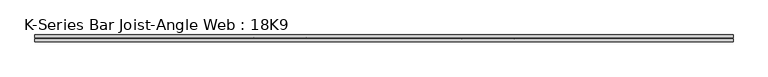
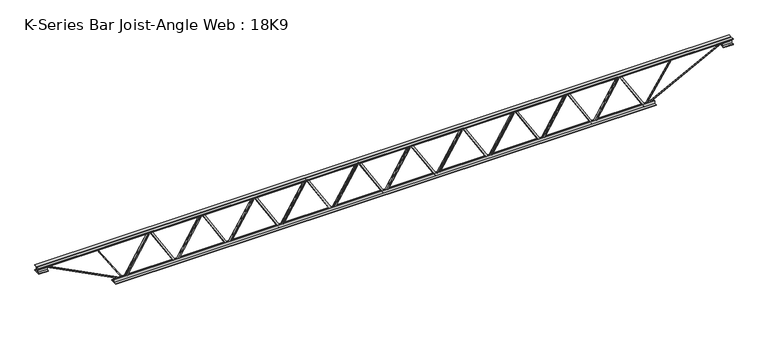
"""IFC4 building model written with IfcOpenShell, lengths in millimetres: beam geometry, K-Series Bar Joist-Angle Web : 18K9."""

from ifc_helpers import new_model, si_unit, frame, origin, place, context, project, spatial, polyline, outline, extrude, faceted_brep, source, transform, mapped, element, save


def k_series_bar_joist_angle_web_18k9_4a4c2d61(model_context):
    return source(origin(), model_context, "Body", "SolidModel", [
        extrude(outline(polyline([(-4.7625, 4.7625), (-4.7625, 0.0), (-17.4625, 0.0), (-17.4625, 4.7625), (-4.7625, 4.7625)])), frame((2175.5309643, 0.0, -190.5), z_axis=(-0.5207134506904616, 0.0, 0.853731516502719), x_axis=(0.0, -1.0, 0.0)), (0.0, 0.0, 1.0), 446.2761332),
        extrude(outline(polyline([(-225.425, 2208.53), (-206.375, 2208.53), (-206.375, 2207.5273537), (225.425, 1944.1611037), (225.425, 1926.11375), (206.375, 1926.11375), (206.375, 1933.4663963), (-225.425, 2196.8326463), (-225.425, 2208.53)])), frame((0.0, 0.0, 0.0), z_axis=(0.0, 1.0, 0.0), x_axis=(0.0, 0.0, 1.0)), (0.0, 0.0, 1.0), 4.7625),
        faceted_brep([(1656.3975, 0.0, -206.375), (1656.3975, 0.0, -225.425), (1656.3975, -4.7625, -225.425), (1656.3975, -4.7625, -206.375), (1657.4001463, 0.0, -206.375), (1920.7663963, 0.0, 225.425), (1938.81375, 0.0, 225.425), (1938.81375, 0.0, 206.375), (1931.4611037, 0.0, 206.375), (1668.0948537, 0.0, -225.425), (1668.0948537, -4.7625, -225.425), (1689.3965357, -4.7625, -190.5), (1685.3306393, -4.7625, -188.0201022), (1917.7126246, -4.7625, 192.9798978), (1921.778521, -4.7625, 190.5), (1931.4611037, -4.7625, 206.375), (1938.81375, -4.7625, 206.375), (1938.81375, -4.7625, 225.425), (1920.7663963, -4.7625, 225.425), (1657.4001463, -4.7625, -206.375), (1921.778521, -17.4625, 190.5), (1689.3965357, -17.4625, -190.5), (1685.3306393, -17.4625, -188.0201022), (1917.7126246, -17.4625, 192.9798978)], [[[0, 1, 2, 3]], [[1, 0, 4, 5, 6, 7, 8, 9]], [[2, 1, 9, 10]], [[3, 2, 10, 11, 12, 13, 14, 15, 16, 17, 18, 19]], [[0, 3, 19, 4]], [[9, 8, 15, 14, 20, 21, 11, 10]], [[5, 4, 19, 18]], [[7, 6, 17, 16]], [[8, 7, 16, 15]], [[6, 5, 18, 17]], [[21, 22, 12, 11]], [[20, 14, 13, 23]], [[22, 21, 20, 23]], [[12, 22, 23, 13]]]),
        extrude(outline(polyline([(-4.7625, 4.7625), (-4.7625, 0.0), (-17.4625, 0.0), (-17.4625, 4.7625), (-4.7625, 4.7625)])), frame((1623.3984643, 0.0, -190.5), z_axis=(-0.5207134506904616, 0.0, 0.853731516502719), x_axis=(0.0, -1.0, 0.0)), (0.0, 0.0, 1.0), 446.2761332),
        extrude(outline(polyline([(-225.425, 1656.3975), (-206.375, 1656.3975), (-206.375, 1655.3948537), (225.425, 1392.0286037), (225.425, 1373.98125), (206.375, 1373.98125), (206.375, 1381.3338963), (-225.425, 1644.7001463), (-225.425, 1656.3975)])), frame((0.0, 0.0, 0.0), z_axis=(0.0, 1.0, 0.0), x_axis=(0.0, 0.0, 1.0)), (0.0, 0.0, 1.0), 4.7625),
        faceted_brep([(1104.265, 0.0, -206.375), (1104.265, 0.0, -225.425), (1104.265, -4.7625, -225.425), (1104.265, -4.7625, -206.375), (1105.2676463, 0.0, -206.375), (1368.6338963, 0.0, 225.425), (1386.68125, 0.0, 225.425), (1386.68125, 0.0, 206.375), (1379.3286037, 0.0, 206.375), (1115.9623537, 0.0, -225.425), (1115.9623537, -4.7625, -225.425), (1137.2640357, -4.7625, -190.5), (1133.1981393, -4.7625, -188.0201022), (1365.5801246, -4.7625, 192.9798978), (1369.646021, -4.7625, 190.5), (1379.3286037, -4.7625, 206.375), (1386.68125, -4.7625, 206.375), (1386.68125, -4.7625, 225.425), (1368.6338963, -4.7625, 225.425), (1105.2676463, -4.7625, -206.375), (1369.646021, -17.4625, 190.5), (1137.2640357, -17.4625, -190.5), (1133.1981393, -17.4625, -188.0201022), (1365.5801246, -17.4625, 192.9798978)], [[[0, 1, 2, 3]], [[1, 0, 4, 5, 6, 7, 8, 9]], [[2, 1, 9, 10]], [[3, 2, 10, 11, 12, 13, 14, 15, 16, 17, 18, 19]], [[0, 3, 19, 4]], [[9, 8, 15, 14, 20, 21, 11, 10]], [[5, 4, 19, 18]], [[7, 6, 17, 16]], [[8, 7, 16, 15]], [[6, 5, 18, 17]], [[21, 22, 12, 11]], [[20, 14, 13, 23]], [[22, 21, 20, 23]], [[12, 22, 23, 13]]]),
        extrude(outline(polyline([(-4.7625, 4.7625), (-4.7625, 0.0), (-17.4625, 0.0), (-17.4625, 4.7625), (-4.7625, 4.7625)])), frame((1071.2659643, 0.0, -190.5), z_axis=(-0.5207134506904616, 0.0, 0.853731516502719), x_axis=(0.0, -1.0, 0.0)), (0.0, 0.0, 1.0), 446.2761332),
        extrude(outline(polyline([(-225.425, 1104.265), (-206.375, 1104.265), (-206.375, 1103.2623537), (225.425, 839.8961037), (225.425, 821.84875), (206.375, 821.84875), (206.375, 829.2013963), (-225.425, 1092.5676463), (-225.425, 1104.265)])), frame((0.0, 0.0, 0.0), z_axis=(0.0, 1.0, 0.0), x_axis=(0.0, 0.0, 1.0)), (0.0, 0.0, 1.0), 4.7625),
        faceted_brep([(552.1325, 0.0, -206.375), (552.1325, 0.0, -225.425), (552.1325, -4.7625, -225.425), (552.1325, -4.7625, -206.375), (553.1351463, 0.0, -206.375), (816.5013963, 0.0, 225.425), (834.54875, 0.0, 225.425), (834.54875, 0.0, 206.375), (827.1961037, 0.0, 206.375), (563.8298537, 0.0, -225.425), (563.8298537, -4.7625, -225.425), (585.1315357, -4.7625, -190.5), (581.0656393, -4.7625, -188.0201022), (813.4476246, -4.7625, 192.9798978), (817.513521, -4.7625, 190.5), (827.1961037, -4.7625, 206.375), (834.54875, -4.7625, 206.375), (834.54875, -4.7625, 225.425), (816.5013963, -4.7625, 225.425), (553.1351463, -4.7625, -206.375), (817.513521, -17.4625, 190.5), (585.1315357, -17.4625, -190.5), (581.0656393, -17.4625, -188.0201022), (813.4476246, -17.4625, 192.9798978)], [[[0, 1, 2, 3]], [[1, 0, 4, 5, 6, 7, 8, 9]], [[2, 1, 9, 10]], [[3, 2, 10, 11, 12, 13, 14, 15, 16, 17, 18, 19]], [[0, 3, 19, 4]], [[9, 8, 15, 14, 20, 21, 11, 10]], [[5, 4, 19, 18]], [[7, 6, 17, 16]], [[8, 7, 16, 15]], [[6, 5, 18, 17]], [[21, 22, 12, 11]], [[20, 14, 13, 23]], [[22, 21, 20, 23]], [[12, 22, 23, 13]]]),
        extrude(outline(polyline([(-4.7625, 4.7625), (-4.7625, 0.0), (-17.4625, 0.0), (-17.4625, 4.7625), (-4.7625, 4.7625)])), frame((519.1334643, 0.0, -190.5), z_axis=(-0.5207134506904616, 0.0, 0.853731516502719), x_axis=(0.0, -1.0, 0.0)), (0.0, 0.0, 1.0), 446.2761332),
        extrude(outline(polyline([(-225.425, 552.1325), (-206.375, 552.1325), (-206.375, 551.1298537), (225.425, 287.7636037), (225.425, 269.71625), (206.375, 269.71625), (206.375, 277.0688963), (-225.425, 540.4351463), (-225.425, 552.1325)])), frame((0.0, 0.0, 0.0), z_axis=(0.0, 1.0, 0.0), x_axis=(0.0, 0.0, 1.0)), (0.0, 0.0, 1.0), 4.7625),
        faceted_brep([(0.0, 0.0, -206.375), (0.0, 0.0, -225.425), (0.0, -4.7625, -225.425), (0.0, -4.7625, -206.375), (1.0026463, 0.0, -206.375), (264.3688963, 0.0, 225.425), (282.41625, 0.0, 225.425), (282.41625, 0.0, 206.375), (275.0636037, 0.0, 206.375), (11.6973537, 0.0, -225.425), (11.6973537, -4.7625, -225.425), (32.9990357, -4.7625, -190.5), (28.9331393, -4.7625, -188.0201022), (261.3151246, -4.7625, 192.9798978), (265.381021, -4.7625, 190.5), (275.0636037, -4.7625, 206.375), (282.41625, -4.7625, 206.375), (282.41625, -4.7625, 225.425), (264.3688963, -4.7625, 225.425), (1.0026463, -4.7625, -206.375), (265.381021, -17.4625, 190.5), (32.9990357, -17.4625, -190.5), (28.9331393, -17.4625, -188.0201022), (261.3151246, -17.4625, 192.9798978)], [[[0, 1, 2, 3]], [[1, 0, 4, 5, 6, 7, 8, 9]], [[2, 1, 9, 10]], [[3, 2, 10, 11, 12, 13, 14, 15, 16, 17, 18, 19]], [[0, 3, 19, 4]], [[9, 8, 15, 14, 20, 21, 11, 10]], [[5, 4, 19, 18]], [[7, 6, 17, 16]], [[8, 7, 16, 15]], [[6, 5, 18, 17]], [[21, 22, 12, 11]], [[20, 14, 13, 23]], [[22, 21, 20, 23]], [[12, 22, 23, 13]]]),
        extrude(outline(polyline([(-4.7625, 4.7625), (-4.7625, 0.0), (-17.4625, 0.0), (-17.4625, 4.7625), (-4.7625, 4.7625)])), frame((-32.9990357, 0.0, -190.5), z_axis=(-0.5207134506904616, 0.0, 0.853731516502719), x_axis=(0.0, -1.0, 0.0)), (0.0, 0.0, 1.0), 446.2761332),
        extrude(outline(polyline([(-225.425, 0.0), (-206.375, 0.0), (-206.375, -1.0026463), (225.425, -264.3688963), (225.425, -282.41625), (206.375, -282.41625), (206.375, -275.0636037), (-225.425, -11.6973537), (-225.425, 0.0)])), frame((0.0, 0.0, 0.0), z_axis=(0.0, 1.0, 0.0), x_axis=(0.0, 0.0, 1.0)), (0.0, 0.0, 1.0), 4.7625),
        faceted_brep([(-552.1325, 0.0, -206.375), (-552.1325, 0.0, -225.425), (-552.1325, -4.7625, -225.425), (-552.1325, -4.7625, -206.375), (-551.1298537, 0.0, -206.375), (-287.7636037, 0.0, 225.425), (-269.71625, 0.0, 225.425), (-269.71625, 0.0, 206.375), (-277.0688963, 0.0, 206.375), (-540.4351463, 0.0, -225.425), (-540.4351463, -4.7625, -225.425), (-519.1334643, -4.7625, -190.5), (-523.1993607, -4.7625, -188.0201022), (-290.8173754, -4.7625, 192.9798978), (-286.751479, -4.7625, 190.5), (-277.0688963, -4.7625, 206.375), (-269.71625, -4.7625, 206.375), (-269.71625, -4.7625, 225.425), (-287.7636037, -4.7625, 225.425), (-551.1298537, -4.7625, -206.375), (-286.751479, -17.4625, 190.5), (-519.1334643, -17.4625, -190.5), (-523.1993607, -17.4625, -188.0201022), (-290.8173754, -17.4625, 192.9798978)], [[[0, 1, 2, 3]], [[1, 0, 4, 5, 6, 7, 8, 9]], [[2, 1, 9, 10]], [[3, 2, 10, 11, 12, 13, 14, 15, 16, 17, 18, 19]], [[0, 3, 19, 4]], [[9, 8, 15, 14, 20, 21, 11, 10]], [[5, 4, 19, 18]], [[7, 6, 17, 16]], [[8, 7, 16, 15]], [[6, 5, 18, 17]], [[21, 22, 12, 11]], [[20, 14, 13, 23]], [[22, 21, 20, 23]], [[12, 22, 23, 13]]]),
        extrude(outline(polyline([(-4.7625, 4.7625), (-4.7625, 0.0), (-17.4625, 0.0), (-17.4625, 4.7625), (-4.7625, 4.7625)])), frame((-585.1315357, 0.0, -190.5), z_axis=(-0.5207134506904616, 0.0, 0.853731516502719), x_axis=(0.0, -1.0, 0.0)), (0.0, 0.0, 1.0), 446.2761332),
        extrude(outline(polyline([(-225.425, -552.1325), (-206.375, -552.1325), (-206.375, -553.1351463), (225.425, -816.5013963), (225.425, -834.54875), (206.375, -834.54875), (206.375, -827.1961037), (-225.425, -563.8298537), (-225.425, -552.1325)])), frame((0.0, 0.0, 0.0), z_axis=(0.0, 1.0, 0.0), x_axis=(0.0, 0.0, 1.0)), (0.0, 0.0, 1.0), 4.7625),
        faceted_brep([(-1104.265, 0.0, -206.375), (-1104.265, 0.0, -225.425), (-1104.265, -4.7625, -225.425), (-1104.265, -4.7625, -206.375), (-1103.2623537, 0.0, -206.375), (-839.8961037, 0.0, 225.425), (-821.84875, 0.0, 225.425), (-821.84875, 0.0, 206.375), (-829.2013963, 0.0, 206.375), (-1092.5676463, 0.0, -225.425), (-1092.5676463, -4.7625, -225.425), (-1071.2659643, -4.7625, -190.5), (-1075.3318607, -4.7625, -188.0201022), (-842.9498754, -4.7625, 192.9798978), (-838.883979, -4.7625, 190.5), (-829.2013963, -4.7625, 206.375), (-821.84875, -4.7625, 206.375), (-821.84875, -4.7625, 225.425), (-839.8961037, -4.7625, 225.425), (-1103.2623537, -4.7625, -206.375), (-838.883979, -17.4625, 190.5), (-1071.2659643, -17.4625, -190.5), (-1075.3318607, -17.4625, -188.0201022), (-842.9498754, -17.4625, 192.9798978)], [[[0, 1, 2, 3]], [[1, 0, 4, 5, 6, 7, 8, 9]], [[2, 1, 9, 10]], [[3, 2, 10, 11, 12, 13, 14, 15, 16, 17, 18, 19]], [[0, 3, 19, 4]], [[9, 8, 15, 14, 20, 21, 11, 10]], [[5, 4, 19, 18]], [[7, 6, 17, 16]], [[8, 7, 16, 15]], [[6, 5, 18, 17]], [[21, 22, 12, 11]], [[20, 14, 13, 23]], [[22, 21, 20, 23]], [[12, 22, 23, 13]]]),
        extrude(outline(polyline([(-4.7625, 4.7625), (-4.7625, 0.0), (-17.4625, 0.0), (-17.4625, 4.7625), (-4.7625, 4.7625)])), frame((-1137.2640357, 0.0, -190.5), z_axis=(-0.5207134506904616, 0.0, 0.853731516502719), x_axis=(0.0, -1.0, 0.0)), (0.0, 0.0, 1.0), 446.2761332),
        extrude(outline(polyline([(-225.425, -1104.265), (-206.375, -1104.265), (-206.375, -1105.2676463), (225.425, -1368.6338963), (225.425, -1386.68125), (206.375, -1386.68125), (206.375, -1379.3286037), (-225.425, -1115.9623537), (-225.425, -1104.265)])), frame((0.0, 0.0, 0.0), z_axis=(0.0, 1.0, 0.0), x_axis=(0.0, 0.0, 1.0)), (0.0, 0.0, 1.0), 4.7625),
        faceted_brep([(-1656.3975, 0.0, -206.375), (-1656.3975, 0.0, -225.425), (-1656.3975, -4.7625, -225.425), (-1656.3975, -4.7625, -206.375), (-1655.3948537, 0.0, -206.375), (-1392.0286037, 0.0, 225.425), (-1373.98125, 0.0, 225.425), (-1373.98125, 0.0, 206.375), (-1381.3338963, 0.0, 206.375), (-1644.7001463, 0.0, -225.425), (-1644.7001463, -4.7625, -225.425), (-1623.3984643, -4.7625, -190.5), (-1627.4643607, -4.7625, -188.0201022), (-1395.0823754, -4.7625, 192.9798978), (-1391.016479, -4.7625, 190.5), (-1381.3338963, -4.7625, 206.375), (-1373.98125, -4.7625, 206.375), (-1373.98125, -4.7625, 225.425), (-1392.0286037, -4.7625, 225.425), (-1655.3948537, -4.7625, -206.375), (-1391.016479, -17.4625, 190.5), (-1623.3984643, -17.4625, -190.5), (-1627.4643607, -17.4625, -188.0201022), (-1395.0823754, -17.4625, 192.9798978)], [[[0, 1, 2, 3]], [[1, 0, 4, 5, 6, 7, 8, 9]], [[2, 1, 9, 10]], [[3, 2, 10, 11, 12, 13, 14, 15, 16, 17, 18, 19]], [[0, 3, 19, 4]], [[9, 8, 15, 14, 20, 21, 11, 10]], [[5, 4, 19, 18]], [[7, 6, 17, 16]], [[8, 7, 16, 15]], [[6, 5, 18, 17]], [[21, 22, 12, 11]], [[20, 14, 13, 23]], [[22, 21, 20, 23]], [[12, 22, 23, 13]]]),
        extrude(outline(polyline([(-4.7625, 4.7625), (-4.7625, 0.0), (-17.4625, 0.0), (-17.4625, 4.7625), (-4.7625, 4.7625)])), frame((-1689.3965357, 0.0, -190.5), z_axis=(-0.5207134506904616, 0.0, 0.853731516502719), x_axis=(0.0, -1.0, 0.0)), (0.0, 0.0, 1.0), 446.2761332),
        extrude(outline(polyline([(-225.425, -1656.3975), (-206.375, -1656.3975), (-206.375, -1657.4001463), (225.425, -1920.7663963), (225.425, -1938.81375), (206.375, -1938.81375), (206.375, -1931.4611037), (-225.425, -1668.0948537), (-225.425, -1656.3975)])), frame((0.0, 0.0, 0.0), z_axis=(0.0, 1.0, 0.0), x_axis=(0.0, 0.0, 1.0)), (0.0, 0.0, 1.0), 4.7625),
        faceted_brep([(-2208.53, 0.0, -206.375), (-2208.53, 0.0, -225.425), (-2208.53, -4.7625, -225.425), (-2208.53, -4.7625, -206.375), (-2207.5273537, 0.0, -206.375), (-1944.1611037, 0.0, 225.425), (-1926.11375, 0.0, 225.425), (-1926.11375, 0.0, 206.375), (-1933.4663963, 0.0, 206.375), (-2196.8326463, 0.0, -225.425), (-2196.8326463, -4.7625, -225.425), (-2175.5309643, -4.7625, -190.5), (-2179.5968607, -4.7625, -188.0201022), (-1947.2148754, -4.7625, 192.9798978), (-1943.148979, -4.7625, 190.5), (-1933.4663963, -4.7625, 206.375), (-1926.11375, -4.7625, 206.375), (-1926.11375, -4.7625, 225.425), (-1944.1611037, -4.7625, 225.425), (-2207.5273537, -4.7625, -206.375), (-1943.148979, -17.4625, 190.5), (-2175.5309643, -17.4625, -190.5), (-2179.5968607, -17.4625, -188.0201022), (-1947.2148754, -17.4625, 192.9798978)], [[[0, 1, 2, 3]], [[1, 0, 4, 5, 6, 7, 8, 9]], [[2, 1, 9, 10]], [[3, 2, 10, 11, 12, 13, 14, 15, 16, 17, 18, 19]], [[0, 3, 19, 4]], [[9, 8, 15, 14, 20, 21, 11, 10]], [[5, 4, 19, 18]], [[7, 6, 17, 16]], [[8, 7, 16, 15]], [[6, 5, 18, 17]], [[21, 22, 12, 11]], [[20, 14, 13, 23]], [[22, 21, 20, 23]], [[12, 22, 23, 13]]]),
        extrude(outline(polyline([(-4.7625, 4.7625), (-4.7625, 0.0), (-17.4625, 0.0), (-17.4625, 4.7625), (-4.7625, 4.7625)])), frame((2727.6634643, 0.0, -190.5), z_axis=(-0.5207134506904616, 0.0, 0.853731516502719), x_axis=(0.0, -1.0, 0.0)), (0.0, 0.0, 1.0), 446.2761332),
        extrude(outline(polyline([(-225.425, 2760.6625), (-206.375, 2760.6625), (-206.375, 2759.6598537), (225.425, 2496.2936037), (225.425, 2478.24625), (206.375, 2478.24625), (206.375, 2485.5988963), (-225.425, 2748.9651463), (-225.425, 2760.6625)])), frame((0.0, 0.0, 0.0), z_axis=(0.0, 1.0, 0.0), x_axis=(0.0, 0.0, 1.0)), (0.0, 0.0, 1.0), 4.7625),
        faceted_brep([(2208.53, 0.0, -206.375), (2208.53, 0.0, -225.425), (2208.53, -4.7625, -225.425), (2208.53, -4.7625, -206.375), (2209.5326463, 0.0, -206.375), (2472.8988963, 0.0, 225.425), (2490.94625, 0.0, 225.425), (2490.94625, 0.0, 206.375), (2483.5936037, 0.0, 206.375), (2220.2273537, 0.0, -225.425), (2220.2273537, -4.7625, -225.425), (2241.5290357, -4.7625, -190.5), (2237.4631393, -4.7625, -188.0201022), (2469.8451246, -4.7625, 192.9798978), (2473.911021, -4.7625, 190.5), (2483.5936037, -4.7625, 206.375), (2490.94625, -4.7625, 206.375), (2490.94625, -4.7625, 225.425), (2472.8988963, -4.7625, 225.425), (2209.5326463, -4.7625, -206.375), (2473.911021, -17.4625, 190.5), (2241.5290357, -17.4625, -190.5), (2237.4631393, -17.4625, -188.0201022), (2469.8451246, -17.4625, 192.9798978)], [[[0, 1, 2, 3]], [[1, 0, 4, 5, 6, 7, 8, 9]], [[2, 1, 9, 10]], [[3, 2, 10, 11, 12, 13, 14, 15, 16, 17, 18, 19]], [[0, 3, 19, 4]], [[9, 8, 15, 14, 20, 21, 11, 10]], [[5, 4, 19, 18]], [[7, 6, 17, 16]], [[8, 7, 16, 15]], [[6, 5, 18, 17]], [[21, 22, 12, 11]], [[20, 14, 13, 23]], [[22, 21, 20, 23]], [[12, 22, 23, 13]]]),
        extrude(outline(polyline([(-4.7625, 4.7625), (-4.7625, 0.0), (-17.4625, 0.0), (-17.4625, 4.7625), (-4.7625, 4.7625)])), frame((-2241.5290357, 0.0, -190.5), z_axis=(-0.5207134506904616, 0.0, 0.853731516502719), x_axis=(0.0, -1.0, 0.0)), (0.0, 0.0, 1.0), 446.2761332),
        extrude(outline(polyline([(-225.425, -2208.53), (-206.375, -2208.53), (-206.375, -2209.5326463), (225.425, -2472.8988963), (225.425, -2490.94625), (206.375, -2490.94625), (206.375, -2483.5936037), (-225.425, -2220.2273537), (-225.425, -2208.53)])), frame((0.0, 0.0, 0.0), z_axis=(0.0, 1.0, 0.0), x_axis=(0.0, 0.0, 1.0)), (0.0, 0.0, 1.0), 4.7625),
        faceted_brep([(-2760.6625, 0.0, -206.375), (-2760.6625, 0.0, -225.425), (-2760.6625, -4.7625, -225.425), (-2760.6625, -4.7625, -206.375), (-2759.6598537, 0.0, -206.375), (-2496.2936037, 0.0, 225.425), (-2478.24625, 0.0, 225.425), (-2478.24625, 0.0, 206.375), (-2485.5988963, 0.0, 206.375), (-2748.9651463, 0.0, -225.425), (-2748.9651463, -4.7625, -225.425), (-2727.6634643, -4.7625, -190.5), (-2731.7293607, -4.7625, -188.0201022), (-2499.3473754, -4.7625, 192.9798978), (-2495.281479, -4.7625, 190.5), (-2485.5988963, -4.7625, 206.375), (-2478.24625, -4.7625, 206.375), (-2478.24625, -4.7625, 225.425), (-2496.2936037, -4.7625, 225.425), (-2759.6598537, -4.7625, -206.375), (-2495.281479, -17.4625, 190.5), (-2727.6634643, -17.4625, -190.5), (-2731.7293607, -17.4625, -188.0201022), (-2499.3473754, -17.4625, 192.9798978)], [[[0, 1, 2, 3]], [[1, 0, 4, 5, 6, 7, 8, 9]], [[2, 1, 9, 10]], [[3, 2, 10, 11, 12, 13, 14, 15, 16, 17, 18, 19]], [[0, 3, 19, 4]], [[9, 8, 15, 14, 20, 21, 11, 10]], [[5, 4, 19, 18]], [[7, 6, 17, 16]], [[8, 7, 16, 15]], [[6, 5, 18, 17]], [[21, 22, 12, 11]], [[20, 14, 13, 23]], [[22, 21, 20, 23]], [[12, 22, 23, 13]]]),
        extrude(outline(polyline([(4.7625, 228.6), (36.5125, 228.6), (36.5125, 222.25), (11.1125, 222.25), (11.1125, 196.85), (4.7625, 196.85), (4.7625, 228.6)])), frame((-3675.0625, 0.0, 0.0), z_axis=(1.0, 0.0, 0.0), x_axis=(0.0, 1.0, 0.0)), (0.0, 0.0, 1.0), 7350.125),
        extrude(outline(polyline([(-4.7625, 228.6), (-4.7625, 196.85), (-11.1125, 196.85), (-11.1125, 222.25), (-36.5125, 222.25), (-36.5125, 228.6), (-4.7625, 228.6)])), frame((-3675.0625, 0.0, 0.0), z_axis=(1.0, 0.0, 0.0), x_axis=(0.0, 1.0, 0.0)), (0.0, 0.0, 1.0), 7350.125),
        extrude(outline(polyline([(-4.7625, 165.1), (-36.5125, 165.1), (-36.5125, 171.45), (-11.1125, 171.45), (-11.1125, 196.85), (-4.7625, 196.85), (-4.7625, 165.1)])), frame((-3675.0625, 0.0, 0.0), z_axis=(1.0, 0.0, 0.0), x_axis=(0.0, 1.0, 0.0)), (0.0, 0.0, 1.0), 101.6),
        extrude(outline(polyline([(36.5125, 165.1), (4.7625, 165.1), (4.7625, 196.85), (11.1125, 196.85), (11.1125, 171.45), (36.5125, 171.45), (36.5125, 165.1)])), frame((-3675.0625, 0.0, 0.0), z_axis=(1.0, 0.0, 0.0), x_axis=(0.0, 1.0, 0.0)), (0.0, 0.0, 1.0), 101.6),
        extrude(outline(polyline([(4.7625, 165.1), (4.7625, 196.85), (11.1125, 196.85), (11.1125, 171.45), (36.5125, 171.45), (36.5125, 165.1), (4.7625, 165.1)])), frame((3573.4625, 0.0, 0.0), z_axis=(1.0, 0.0, 0.0), x_axis=(0.0, 1.0, 0.0)), (0.0, 0.0, 1.0), 101.6),
        extrude(outline(polyline([(-4.7625, 165.1), (-36.5125, 165.1), (-36.5125, 171.45), (-11.1125, 171.45), (-11.1125, 196.85), (-4.7625, 196.85), (-4.7625, 165.1)])), frame((3573.4625, 0.0, 0.0), z_axis=(1.0, 0.0, 0.0), x_axis=(0.0, 1.0, 0.0)), (0.0, 0.0, 1.0), 101.6),
        extrude(outline(polyline([(4.7625, -228.6), (4.7625, -196.85), (11.1125, -196.85), (11.1125, -222.25), (36.5125, -222.25), (36.5125, -228.6), (4.7625, -228.6)])), frame((-2862.2625, 0.0, 0.0), z_axis=(1.0, 0.0, 0.0), x_axis=(0.0, 1.0, 0.0)), (0.0, 0.0, 1.0), 5724.525),
        extrude(outline(polyline([(-4.7625, -228.6), (-36.5125, -228.6), (-36.5125, -222.25), (-11.1125, -222.25), (-11.1125, -196.85), (-4.7625, -196.85), (-4.7625, -228.6)])), frame((-2862.2625, 0.0, 0.0), z_axis=(1.0, 0.0, 0.0), x_axis=(0.0, 1.0, 0.0)), (0.0, 0.0, 1.0), 5724.525),
        extrude(outline(polyline([(4.7625, 4.7625), (4.7625, -4.7625), (-4.7625, -4.7625), (-4.7625, 4.7625), (4.7625, 4.7625)])), frame((2760.6625, 0.0, -222.25), z_axis=(0.5500928138609676, 0.0, 0.8351035242043484), x_axis=(0.0, -1.0, 0.0)), (0.0, 0.0, 1.0), 501.8539473),
        extrude(outline(polyline([(4.7625, 4.7625), (4.7625, -4.7625), (-4.7625, -4.7625), (-4.7625, 4.7625), (4.7625, 4.7625)])), frame((-2760.6625, 0.0, -222.25), z_axis=(-0.5500928138609437, 0.0, 0.8351035242043643), x_axis=(0.0, -1.0, 0.0)), (0.0, 0.0, 1.0), 501.8539473),
        extrude(outline(polyline([(0.0, -9.525), (0.0, 0.0), (914.4881902, 0.0), (914.4881902, -9.525), (0.0, -9.525)])), frame((3575.645102, -4.7625, 192.6170749), z_axis=(-0.4582891331946203, 0.0, 0.8888031674086921), x_axis=(-0.8888031674086921, 0.0, -0.4582891331946203)), (0.0, 0.0, 1.0), 9.525),
        extrude(outline(polyline([(0.0, -9.525), (0.0, 0.0), (914.4881902, 0.0), (914.4881902, -9.525), (0.0, -9.525)])), frame((-3575.645102, 4.7625, 192.6170749), z_axis=(0.45828913319461917, 0.0, 0.8888031674086928), x_axis=(0.8888031674086928, 0.0, -0.45828913319461917)), (0.0, 0.0, 1.0), 9.525),
    ])


if __name__ == "__main__":
    model = new_model("IFC4")
    model_context = context("Model", 3, world=origin())
    ifc_project = project(units=[si_unit("LENGTHUNIT", "METRE", prefix="MILLI")], contexts=[model_context])
    site = spatial("IfcSite", under=ifc_project)
    building = spatial("IfcBuilding", under=site)
    placement = place(None, origin())
    k_series_bar_joist_angle_web_18k9_shape = k_series_bar_joist_angle_web_18k9_4a4c2d61(model_context)
    element("IfcBeam", 1, ObjectType="K-Series Bar Joist-Angle Web : 18K9", at=placement, inside=building, context=model_context, shape_type="MappedRepresentation", body=[
        mapped(k_series_bar_joist_angle_web_18k9_shape, transform((0.0, 0.0, 0.0), x_axis=(1.0, 0.0, 0.0), y_axis=(0.0, 1.0, 0.0), z_axis=(0.0, 0.0, 1.0))),
    ])
    save(model, "model.ifc")
